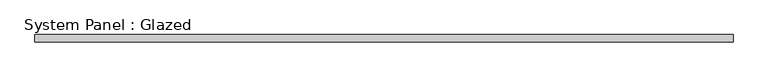
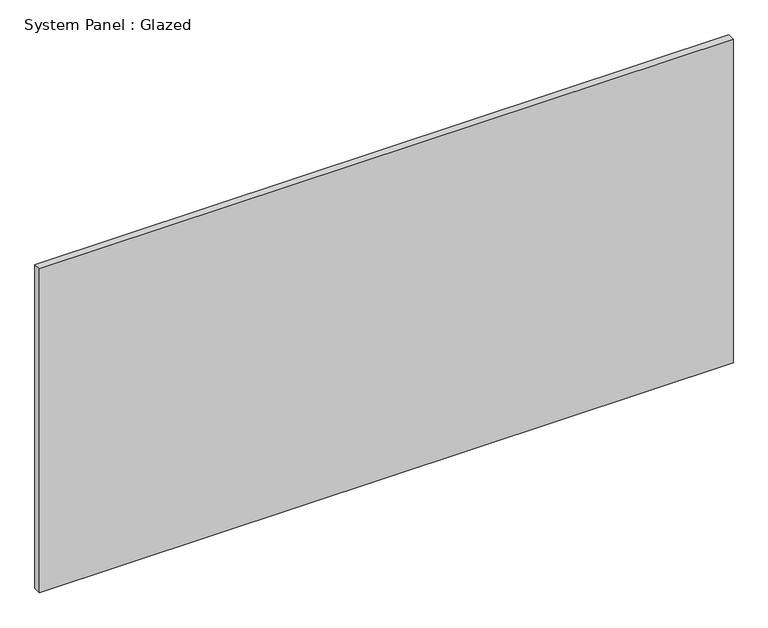
"""IFC4 building model written with IfcOpenShell, lengths in millimetres: plate geometry, System Panel : Glazed."""

from ifc_helpers import new_model, si_unit, origin, origin_with_axes, place, context, project, spatial, polyline, outline, extrude, source, transform, mapped, element, save


def system_panel_glazed_aa56485a(model_context):
    return source(origin(), model_context, "Body", "SweptSolid", [
        extrude(outline(polyline([(1171.575, -44.45), (-1171.575, -44.45), (-1171.575, -19.05), (1171.575, -19.05), (1171.575, -44.45)])), origin_with_axes(), (0.0, 0.0, 1.0), 1155.7),
    ])


if __name__ == "__main__":
    model = new_model("IFC4")
    model_context = context("Model", 3, world=origin())
    ifc_project = project(units=[si_unit("LENGTHUNIT", "METRE", prefix="MILLI")], contexts=[model_context])
    site = spatial("IfcSite", under=ifc_project)
    building = spatial("IfcBuilding", under=site)
    placement = place(None, origin())
    system_panel_glazed_shape = system_panel_glazed_aa56485a(model_context)
    element("IfcPlate", 1, ObjectType="System Panel : Glazed", at=placement, inside=building, context=model_context, shape_type="MappedRepresentation", body=[
        mapped(system_panel_glazed_shape, transform((0.0, 0.0, 0.0), x_axis=(1.0, 0.0, 0.0), y_axis=(0.0, 1.0, 0.0), z_axis=(0.0, 0.0, 1.0))),
    ])
    save(model, "model.ifc")
